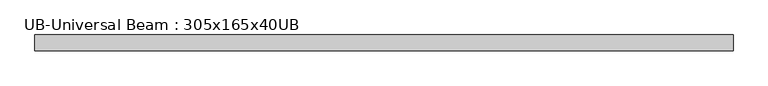
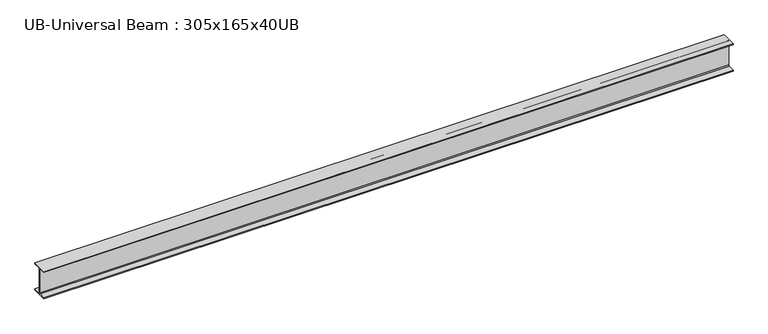
"""IFC4 building model written with IfcOpenShell, lengths in millimetres: beam geometry, UB-Universal Beam : 305x165x40UB."""

from ifc_helpers import new_model, si_unit, point, frame, frame_2d, origin, place, context, project, spatial, polyline, circle_curve, trimmed, segment, composite_curve, outline, extrude, source, transform, mapped, element, save


def ub_universal_beam_305x165x40ub_e2113437(model_context):
    return source(origin(), model_context, "Body", "SweptSolid", [
        extrude(outline(composite_curve([segment(polyline([(82.5, -141.5), (82.5, -151.7), (-82.5, -151.7), (-82.5, -141.5), (-11.9, -141.5)]), True, "CONTINUOUS"), segment(trimmed(circle_curve(frame_2d((-11.9, -132.6)), 8.9), [point((-11.9, -141.5))], [point((-3.0, -132.6))], True, "CARTESIAN"), True, "CONTINUOUS"), segment(polyline([(-3.0, -132.6), (-3.0, 132.6)]), True, "CONTINUOUS"), segment(trimmed(circle_curve(frame_2d((-11.9, 132.6)), 8.9), [point((-3.0, 132.6))], [point((-11.9, 141.5))], True, "CARTESIAN"), True, "CONTINUOUS"), segment(polyline([(-11.9, 141.5), (-82.5, 141.5), (-82.5, 151.7), (82.5, 151.7), (82.5, 141.5), (11.9, 141.5)]), True, "CONTINUOUS"), segment(trimmed(circle_curve(frame_2d((11.9, 132.6)), 8.9), [point((11.9, 141.5))], [point((3.0, 132.6))], True, "CARTESIAN"), True, "CONTINUOUS"), segment(polyline([(3.0, 132.6), (3.0, -132.6)]), True, "CONTINUOUS"), segment(trimmed(circle_curve(frame_2d((11.9, -132.6)), 8.9), [point((3.0, -132.6))], [point((11.9, -141.5))], True, "CARTESIAN"), True, "CONTINUOUS"), segment(polyline([(11.9, -141.5), (82.5, -141.5)]), True, "CONTINUOUS")], self_intersect=False)), frame((-3642.3, 0.0, 0.0), z_axis=(1.0, 0.0, 0.0), x_axis=(0.0, 1.0, 0.0)), (0.0, 0.0, 1.0), 7284.6),
    ])


if __name__ == "__main__":
    model = new_model("IFC4")
    model_context = context("Model", 3, world=origin())
    ifc_project = project(units=[si_unit("LENGTHUNIT", "METRE", prefix="MILLI")], contexts=[model_context])
    site = spatial("IfcSite", under=ifc_project)
    building = spatial("IfcBuilding", under=site)
    placement = place(None, origin())
    ub_universal_beam_305x165x40ub_shape = ub_universal_beam_305x165x40ub_e2113437(model_context)
    element("IfcBeam", 1, ObjectType="UB-Universal Beam : 305x165x40UB", at=placement, inside=building, context=model_context, shape_type="MappedRepresentation", body=[
        mapped(ub_universal_beam_305x165x40ub_shape, transform((0.0, 0.0, 0.0), x_axis=(1.0, 0.0, 0.0), y_axis=(0.0, 1.0, 0.0), z_axis=(0.0, 0.0, 1.0))),
    ])
    save(model, "model.ifc")
